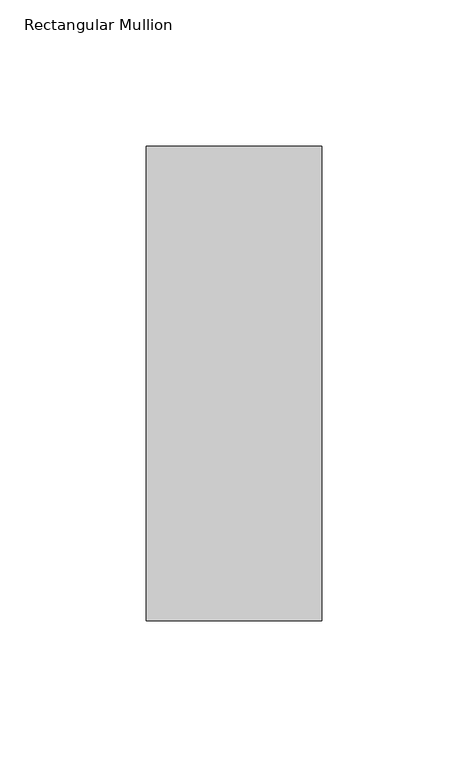
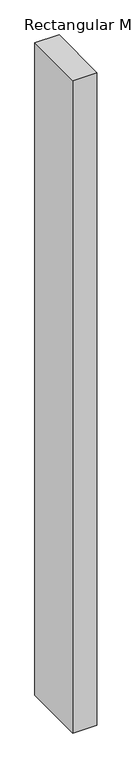
"""IFC4 building model written with IfcOpenShell, lengths in millimetres: member geometry, Rectangular Mullion."""

from ifc_helpers import new_model, si_unit, frame, origin, place, context, project, spatial, polyline, outline, extrude, source, transform, mapped, element, save


def rectangular_mullion_ccdd0dfc(model_context):
    return source(origin(), model_context, "Body", "SweptSolid", [
        extrude(outline(polyline([(30.0, 109.19375), (30.0, -53.19375), (-30.0, -53.19375), (-30.0, 109.19375), (30.0, 109.19375)])), frame((0.0, 0.0, -1708.8912252), z_axis=(0.0, 0.0, 1.0), x_axis=(1.0, 0.0, 0.0)), (0.0, 0.0, 1.0), 1708.8912252),
    ])


if __name__ == "__main__":
    model = new_model("IFC4")
    model_context = context("Model", 3, world=origin())
    ifc_project = project(units=[si_unit("LENGTHUNIT", "METRE", prefix="MILLI")], contexts=[model_context])
    site = spatial("IfcSite", under=ifc_project)
    building = spatial("IfcBuilding", under=site)
    placement = place(None, origin())
    rectangular_mullion_shape = rectangular_mullion_ccdd0dfc(model_context)
    element("IfcMember", 1, ObjectType="Rectangular Mullion", at=placement, inside=building, context=model_context, shape_type="MappedRepresentation", body=[
        mapped(rectangular_mullion_shape, transform((0.0, 0.0, 0.0), x_axis=(1.0, 0.0, 0.0), y_axis=(0.0, 1.0, 0.0), z_axis=(0.0, 0.0, 1.0))),
    ])
    save(model, "model.ifc")
